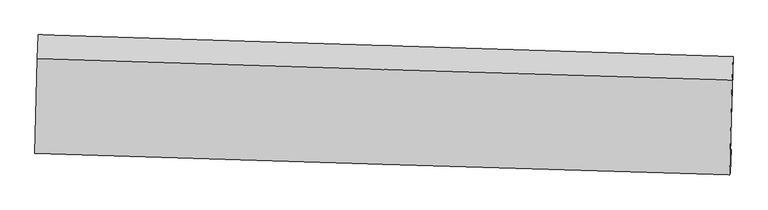
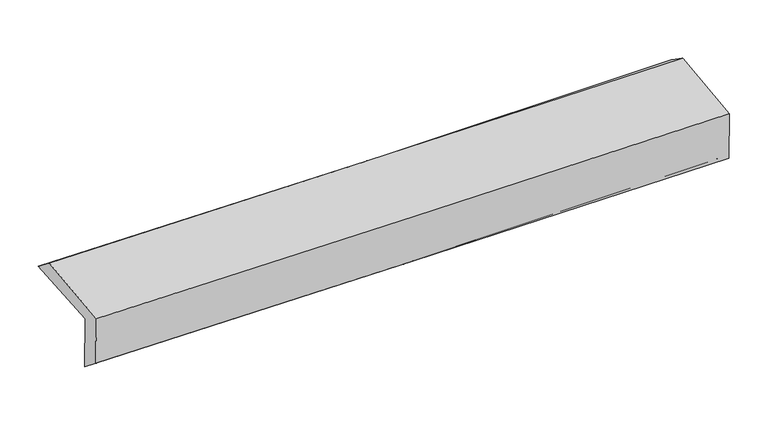
"""IFC4 building model written with IfcOpenShell, lengths in millimetres: proxy geometry."""

from ifc_helpers import new_model, si_unit, frame, origin, place, context, project, spatial, source, transform, mapped, element, save
from ifc_brep_helpers import plane_surface, spline_curve, spline_surface, advanced_brep


def generic_models_41b25e99(model_context):
    return source(origin(), model_context, "Body", "AdvancedBrep", [
        advanced_brep(
        [(-2435.5379957, -1724.1788127, 1993.2732147), (-2417.232624, -1054.7533614, 2014.1378369), (2422.5437445, -1205.301785, 2105.6413118), (2403.7576264, -1869.7137561, 2084.9232469), (-2429.0557072, -1707.1717704, 1588.7251446), (2410.0795457, -1853.127461, 1690.3835294), (-2435.3538252, -1866.8741495, 1713.7467243), (2403.8172943, -2016.9809644, 1795.2489508), (-2441.428015, -1882.8104969, 2092.8260771), (2397.7431045, -2032.9173118, 2174.3283036), (-2423.6789044, -1219.937512, 2138.871683), (2416.1091215, -1370.0617683, 2220.3830612)],
        [
            (0, 1),
            (1, 2, spline_curve(3, [(-2417.232624, -1054.7533614, 2014.1378369), (-1607.136677251, -1080.869969467, 2018.671752701), (-797.119213703, -1106.523568096, 2028.617410421), (816.138297775, -1156.698837591, 2059.206678647), (1619.379624009, -1181.228046947, 2079.762178919), (2422.5437445, -1205.301785, 2105.6413118)], [4, 2, 4], [0.0, 7.976820580100531, 15.888438552909374])),
            (2, 3),
            (3, 0, spline_curve(3, [(2403.7576264, -1869.7137561, 2084.9232469), (1600.627061718, -1848.137539148, 2058.967870548), (797.44231663, -1825.276582873, 2038.361978585), (-815.655327498, -1776.786198607, 2007.723430248), (-1625.569122893, -1751.135506805, 1997.779311339), (-2435.5379957, -1724.1788127, 1993.2732147)], [4, 2, 4], [0.0, 7.911617972808843, 15.888438552909374])),
            (4, 0),
            (3, 5),
            (5, 4, spline_curve(3, [(2410.0795457, -1853.127461, 1690.3835294), (1606.975916056, -1831.480576473, 1662.74717734), (803.817948438, -1808.549366493, 1640.470150379), (-809.22623632, -1759.918726208, 1606.495321904), (-1619.113352992, -1734.198039284, 1594.886220427), (-2429.0557072, -1707.1717704, 1588.7251446)], [4, 2, 4], [0.0, 7.911149931349445, 15.887498612685588])),
            (6, 4),
            (5, 7),
            (7, 6, spline_curve(3, [(2403.8172943, -2016.9809644, 1795.2489508), (1600.595038707, -1993.399441333, 1780.992540954), (797.37454999, -1969.153848508, 1767.09886159), (-815.682518947, -1919.129234436, 1739.925449187), (-1625.519070229, -1893.339222115, 1726.651720039), (-2435.3538252, -1866.8741495, 1713.7467243)], [4, 2, 4], [0.0, 7.910846161124717, 15.886888568751925])),
            (8, 6),
            (7, 9),
            (9, 8, spline_curve(3, [(2397.7431045, -2032.9173118, 2174.3283036), (1594.520848929, -2009.335788733, 2160.071893778), (791.300360268, -1985.090195912, 2146.178214149), (-821.756708825, -1935.065581832, 2119.00480203), (-1631.593260115, -1909.275569477, 2105.731072748), (-2441.428015, -1882.8104969, 2092.8260771)], [4, 2, 4], [0.0, 7.910623156700097, 15.886440722039685])),
            (10, 8),
            (9, 11),
            (11, 10, spline_curve(3, [(2416.1091215, -1370.0617683, 2220.3830612), (1612.783630603, -1346.477278747, 2206.125122011), (809.460324927, -1322.228755395, 2192.229918208), (-803.802386393, -1272.198326888, 2165.05345505), (-1613.741756154, -1246.405431572, 2151.778199586), (-2423.6789044, -1219.937512, 2138.871683)], [4, 2, 4], [0.0, 7.911127326528745, 15.887453216749394])),
            (1, 10),
            (11, 2),
        ],
        [
            spline_surface(3, 3, [[(-2435.5379957, -1724.1788127, 1993.2732147), (-1625.569122983, -1751.135506868, 1997.779311437), (-815.655327415, -1776.78619849, 2007.723430266), (797.442316548, -1825.27658299, 2038.361978567), (1600.62706171, -1848.137539179, 2058.967870437), (2403.7576264, -1869.7137561, 2084.9232469)], [(-2429.43620514, -1501.036995612, 2000.228088765), (-1619.424974424, -1527.713661121, 2004.743458545), (-809.476622871, -1553.365321696, 2014.688090348), (803.674310344, -1602.41733453, 2045.310211874), (1606.8779158, -1625.834375119, 2065.89930662), (2410.019665796, -1648.243099074, 2091.829268513)], [(-2423.33441456, -1277.895178488, 2007.182962835), (-1613.280825844, -1304.291815339, 2011.707605656), (-803.297918368, -1329.944444887, 2021.652750464), (809.906304099, -1379.558086054, 2052.258445215), (1613.128769802, -1403.531211039, 2072.830742861), (2416.281705104, -1426.772442026, 2098.735290187)], [(-2417.232624, -1054.7533614, 2014.1378369), (-1607.136677285, -1080.869969592, 2018.671752764), (-797.119213825, -1106.523568093, 2028.617410546), (816.138297896, -1156.698837594, 2059.206678522), (1619.379623893, -1181.22804698, 2079.762179043), (2422.5437445, -1205.301785, 2105.6413118)]], [4, 4], [4, 2, 4], [0.0, 2.19819862076488], [0.0, 7.976820580100531, 15.888438552909374]),
            spline_surface(3, 3, [[(-2429.0557072, -1707.1717704, 1588.7251446), (-1619.113353092, -1734.19803924, 1594.886220442), (-809.226236427, -1759.91872614, 1606.495321795), (803.817948544, -1808.54936656, 1640.470150487), (1606.975916174, -1831.480576526, 1662.747177386), (2410.0795457, -1853.127461, 1690.3835294)], [(-2431.216470047, -1712.84078449, 1723.574501292), (-1621.265276403, -1739.843861773, 1729.183917432), (-811.369266772, -1765.541216936, 1740.238024622), (801.692737863, -1814.125105383, 1773.100759851), (1604.859631321, -1837.032897394, 1794.820741738), (2407.972239235, -1858.656226017, 1821.896768568)], [(-2433.377232853, -1718.50979861, 1858.423858008), (-1623.417199672, -1745.489684335, 1863.481614447), (-813.51229707, -1771.163707694, 1873.980727438), (799.567527228, -1819.700844167, 1905.731369203), (1602.743346562, -1842.58521831, 1926.894306086), (2405.864932865, -1864.184991083, 1953.410007732)], [(-2435.5379957, -1724.1788127, 1993.2732147), (-1625.569122983, -1751.135506868, 1997.779311437), (-815.655327415, -1776.78619849, 2007.723430266), (797.442316548, -1825.27658299, 2038.361978567), (1600.62706171, -1848.137539179, 2058.967870437), (2403.7576264, -1869.7137561, 2084.9232469)]], [4, 4], [4, 2, 4], [0.0, 1.312263253537018], [0.0, 7.976348681336144, 15.887498612685588]),
            spline_surface(3, 3, [[(-2435.3538252, -1866.8741495, 1713.7467243), (-1625.519070299, -1893.339222058, 1726.651719916), (-815.68251902, -1919.129234393, 1739.92544927), (797.374550064, -1969.15384855, 1767.098861508), (1600.595038612, -1993.399441212, 1780.992541034), (2403.8172943, -2016.9809644, 1795.2489508)], [(-2433.254452511, -1813.640023136, 1672.072864388), (-1623.383831207, -1840.292161121, 1682.729886746), (-813.53042481, -1866.059064979, 1695.448740134), (799.52234957, -1915.619021224, 1724.88929119), (1602.721997822, -1939.426486335, 1741.577419837), (2405.904711456, -1962.363129952, 1760.293810352)], [(-2431.155079889, -1760.405896764, 1630.399004512), (-1621.248592184, -1787.245100177, 1638.808053611), (-811.378330638, -1812.988895554, 1650.972030931), (801.670149037, -1862.084193887, 1682.679720806), (1604.848956964, -1885.453531403, 1702.162298583), (2407.992128544, -1907.745295448, 1725.338669848)], [(-2429.0557072, -1707.1717704, 1588.7251446), (-1619.113353092, -1734.19803924, 1594.886220442), (-809.226236427, -1759.91872614, 1606.495321795), (803.817948544, -1808.54936656, 1640.470150487), (1606.975916174, -1831.480576526, 1662.747177386), (2410.0795457, -1853.127461, 1690.3835294)]], [4, 4], [4, 2, 4], [0.0, 0.6765616248939897], [0.0, 7.976042407627207, 15.886888568751925]),
            spline_surface(3, 3, [[(-2441.428015, -1882.8104969, 2092.8260771), (-1631.593260099, -1909.275569458, 2105.731072716), (-821.75670882, -1935.065581793, 2119.00480197), (791.300360264, -1985.09019595, 2146.178214208), (1594.520848812, -2009.335788612, 2160.071893834), (2397.7431045, -2032.9173118, 2174.3283036)], [(-2439.40328508, -1877.498381106, 1966.466292837), (-1629.568530179, -1903.963453664, 1979.371288453), (-819.7319789, -1929.753466, 1992.645017707), (793.325090184, -1979.778080157, 2019.818429945), (1596.545578733, -2004.023672818, 2033.712109571), (2399.76783442, -2027.605196006, 2047.968519337)], [(-2437.37855512, -1872.186265294, 1840.106508563), (-1627.543800219, -1898.651337851, 1853.011504179), (-817.707248941, -1924.441350187, 1866.285233533), (795.349820143, -1974.465964344, 1893.458645771), (1598.570308692, -1998.711557005, 1907.352325297), (2401.79256438, -2022.293080194, 1921.608735063)], [(-2435.3538252, -1866.8741495, 1713.7467243), (-1625.519070299, -1893.339222058, 1726.651719916), (-815.68251902, -1919.129234393, 1739.92544927), (797.374550064, -1969.15384855, 1767.098861508), (1600.595038612, -1993.399441212, 1780.992541034), (2403.8172943, -2016.9809644, 1795.2489508)]], [4, 4], [4, 2, 4], [0.0, 1.244956701889961], [0.0, 7.975817565339589, 15.886440722039685]),
            spline_surface(3, 3, [[(-2423.6789044, -1219.937512, 2138.871683), (-1613.741756091, -1246.405431507, 2151.778199635), (-803.802386474, -1272.198326872, 2165.053455169), (809.460325007, -1322.228755411, 2192.22991809), (1612.783630658, -1346.477278855, 2206.125121942), (2416.1091215, -1370.0617683, 2220.3830612)], [(-2429.595274591, -1440.895173622, 2123.523147714), (-1619.692257418, -1467.362144146, 2136.429157343), (-809.787160561, -1493.154078499, 2149.703904106), (803.407003454, -1543.18256891, 2176.879350133), (1606.696036706, -1567.430115435, 2190.77404589), (2409.987115829, -1591.013616128, 2205.031475317)], [(-2435.511644809, -1661.852835278, 2108.174612386), (-1625.642758772, -1688.318856819, 2121.080115008), (-815.771934733, -1714.109830166, 2134.354353032), (797.353681816, -1764.13638245, 2161.528782165), (1600.608442765, -1788.382952031, 2175.422969886), (2403.865110171, -1811.965463972, 2189.679889483)], [(-2441.428015, -1882.8104969, 2092.8260771), (-1631.593260099, -1909.275569458, 2105.731072716), (-821.75670882, -1935.065581793, 2119.00480197), (791.300360264, -1985.09019595, 2146.178214208), (1594.520848812, -2009.335788612, 2160.071893834), (2397.7431045, -2032.9173118, 2174.3283036)]], [4, 4], [4, 2, 4], [0.0, 2.180798297792431], [0.0, 7.976325890220649, 15.887453216749394]),
            spline_surface(3, 3, [[(-2417.232624, -1054.7533614, 2014.1378369), (-1607.136677285, -1080.869969592, 2018.671752764), (-797.119213825, -1106.523568093, 2028.617410546), (816.138297896, -1156.698837594, 2059.206678522), (1619.379623893, -1181.22804698, 2079.762179043), (2422.5437445, -1205.301785, 2105.6413118)], [(-2419.381384132, -1109.814744934, 2055.715785604), (-1609.338370218, -1136.048456897, 2063.040568391), (-799.346938068, -1161.748487672, 2074.096092098), (813.912306906, -1211.875476852, 2103.547758389), (1617.180959478, -1236.311124261, 2121.883160022), (2420.398870163, -1260.221779423, 2143.888561612)], [(-2421.530144268, -1164.876128466, 2097.293734296), (-1611.540063157, -1191.226944202, 2107.409384008), (-801.574662231, -1216.973407294, 2119.574773617), (811.686315997, -1267.052116153, 2147.888838223), (1614.982295073, -1291.394201574, 2164.004140964), (2418.253995837, -1315.141773877, 2182.135811388)], [(-2423.6789044, -1219.937512, 2138.871683), (-1613.741756091, -1246.405431507, 2151.778199635), (-803.802386474, -1272.198326872, 2165.053455169), (809.460325007, -1322.228755411, 2192.22991809), (1612.783630658, -1346.477278855, 2206.125121942), (2416.1091215, -1370.0617683, 2220.3830612)]], [4, 4], [4, 2, 4], [0.0, 0.700785715938847], [0.0, 7.977035722449695, 15.888867079032092]),
            plane_surface(frame((2409.0084062, -1724.6838411, 2011.8180673), z_axis=(0.9994777591660834, -0.028721779931331005, 0.014807710488820559), x_axis=(0.016007339103860565, 0.041997126637342536, -0.9989894926619705))),
            plane_surface(frame((-2430.3811786, -1575.9543505, 1923.5967801), z_axis=(-0.9995034028943999, 0.02779407450955191, -0.01484712176392613), x_axis=(-0.02732142428241056, -0.9991415142966162, -0.03114119754032184))),
        ],
        [
            (0, [[1, 2, 3, 4]]),
            (1, [[5, -4, 6, 7]]),
            (2, [[8, -7, 9, 10]]),
            (3, [[11, -10, 12, 13]]),
            (4, [[14, -13, 15, 16]]),
            (5, [[17, -16, 18, -2]]),
            (6, [[-12, -9, -6, -3, -18, -15]]),
            (7, [[-1, -5, -8, -11, -14, -17]]),
        ],
    ),
    ])


if __name__ == "__main__":
    model = new_model("IFC4")
    model_context = context("Model", 3, world=origin())
    ifc_project = project(units=[si_unit("LENGTHUNIT", "METRE", prefix="MILLI")], contexts=[model_context])
    site = spatial("IfcSite", under=ifc_project)
    building = spatial("IfcBuilding", under=site)
    placement = place(None, origin())
    generic_models_shape = generic_models_41b25e99(model_context)
    element("IfcBuildingElementProxy", 1, Name="Generic Models", at=placement, inside=building, context=model_context, shape_type="MappedRepresentation", body=[
        mapped(generic_models_shape, transform((0.0, 0.0, 0.0), x_axis=(1.0, 0.0, 0.0), y_axis=(0.0, 1.0, 0.0), z_axis=(0.0, 0.0, 1.0))),
    ])
    save(model, "model.ifc")
